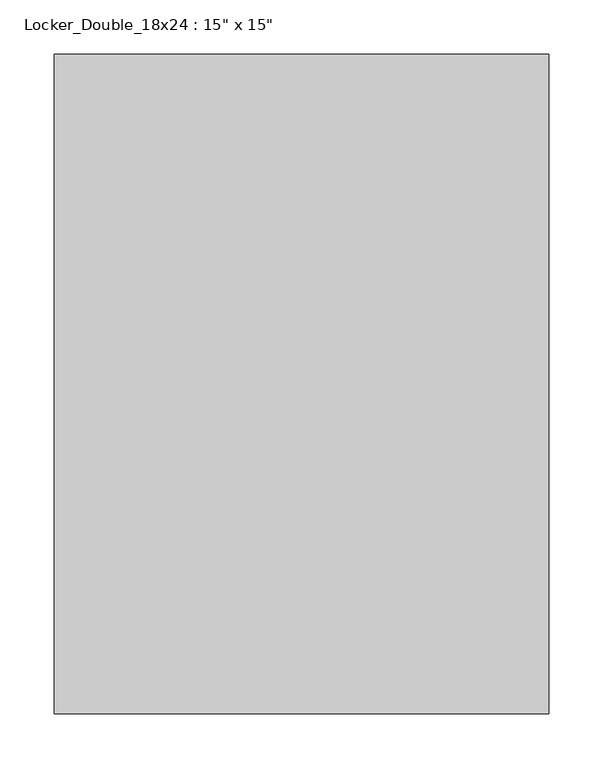
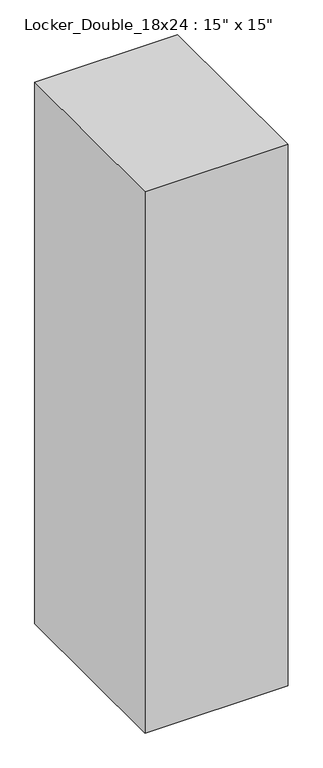
"""IFC4 building model written with IfcOpenShell, lengths in millimetres: furniture geometry."""

import ifcopenshell
import ifcopenshell.guid

model = None  # the IFC model being written
_history = None  # IfcOwnerHistory: only IFC2X3 demands one
_inside = {}  # id of a spatial element -> (the spatial element, [elements in it])
_under = {}  # id of a project, library or spatial element -> (it, [spatial elements below it])
_declared = {}  # id of a project -> (the project, [libraries it declares])
_typed = {}  # id of a type object -> (the type object, [elements of that type])
_made_of = {}  # id of a material, layer set ... -> (it, [elements and type objects made of it])


def new_model(schema):
    """Start an empty IFC model of exactly this schema.

    Asked for "IFC4X3", IfcOpenShell would pick the latest addendum, in which some entities
    have other attributes; the version numbers below select the first issue.
    IFC2X3 requires an IfcOwnerHistory on every rooted entity: one is made here for all.
    """
    global model, _history
    if schema == "IFC4X3":
        model = ifcopenshell.file(schema_version=(4, 3, 0, 0))
    else:
        model = ifcopenshell.file(schema=schema)
    _inside.clear()
    _under.clear()
    _declared.clear()
    _typed.clear()
    _made_of.clear()
    _history = None
    if model.schema == "IFC2X3":
        org = make("IfcOrganization", Name="unknown")
        user = make(
            "IfcPersonAndOrganization",
            ThePerson=make("IfcPerson", FamilyName="unknown"),
            TheOrganization=org,
        )
        app = make(
            "IfcApplication",
            ApplicationDeveloper=org,
            Version="unknown",
            ApplicationFullName="unknown",
            ApplicationIdentifier="unknown",
        )
        _history = make(
            "IfcOwnerHistory",
            OwningUser=user,
            OwningApplication=app,
            ChangeAction="ADDED",
            CreationDate=0,
        )
    return model


def make(cls, **values):
    """One entity of the class cls with the attributes given. An attribute that is None is left unset."""
    return model.create_entity(
        cls, **{name: value for name, value in values.items() if value is not None}
    )


def rooted(cls, **values):
    """An entity with a GlobalId (a new one), such as an element, a storey or a relation."""
    return make(cls, GlobalId=ifcopenshell.guid.new(), OwnerHistory=_history, **values)


def si_unit(unit_type, name, prefix=None):
    """IfcSIUnit, for example si_unit("LENGTHUNIT", "METRE", prefix="MILLI")."""
    return make("IfcSIUnit", UnitType=unit_type, Prefix=prefix, Name=name)


def assignment(units):
    """IfcUnitAssignment: the units of a project."""
    return None if units is None else make("IfcUnitAssignment", Units=units)


def point(xyz):
    """IfcCartesianPoint."""
    return None if xyz is None else make("IfcCartesianPoint", Coordinates=xyz)


def direction(xyz):
    """IfcDirection."""
    return None if xyz is None else make("IfcDirection", DirectionRatios=xyz)


def frame(location, z_axis=None, x_axis=None):
    """IfcAxis2Placement3D, a coordinate frame: its origin and axes. An axis left out is left unset."""
    return make(
        "IfcAxis2Placement3D",
        Location=point(location),
        Axis=direction(z_axis),
        RefDirection=direction(x_axis),
    )


def origin():
    """The frame at (0, 0, 0) with its axes left unset."""
    return frame((0.0, 0.0, 0.0))


def place(relative_to, where):
    """IfcLocalPlacement: puts the frame where relative to a parent placement (None: the world)."""
    return make(
        "IfcLocalPlacement", PlacementRelTo=relative_to, RelativePlacement=where
    )


def context(
    kind, dimensions, precision=None, world=None, true_north=None, identifier=None
):
    """IfcGeometricRepresentationContext, for example the 3D "Model" context."""
    return make(
        "IfcGeometricRepresentationContext",
        ContextIdentifier=identifier,
        ContextType=kind,
        CoordinateSpaceDimension=dimensions,
        Precision=precision,
        WorldCoordinateSystem=world,
        TrueNorth=true_north,
    )


def project(units=None, contexts=None):
    """IfcProject with its units and contexts."""
    return rooted(
        "IfcProject",
        Name="project",
        RepresentationContexts=contexts,
        UnitsInContext=assignment(units),
    )


def spatial(cls, under=None, at=None, **own):
    """A site, building, storey or space (cls), placed at a placement, below another one or the project."""
    s = rooted(cls, ObjectPlacement=at, **own)
    if under is not None:
        _under.setdefault(under.id(), (under, []))[1].append(s)
    return s


def faces_of(points, faces, orient=None, outer=None):
    """IfcFace entities. A face is a list of loops; a loop is a list of indices into points, from 0.

    orient and outer hold one flag for each loop. By default every Orientation is true, the
    first loop of a face is its IfcFaceOuterBound and the others are IfcFaceBound.
    """
    made = []
    for i, loops in enumerate(faces):
        bounds = []
        for j, loop in enumerate(loops):
            is_outer = j == 0 if outer is None else outer[i][j]
            bounds.append(
                make(
                    "IfcFaceOuterBound" if is_outer else "IfcFaceBound",
                    Bound=make("IfcPolyLoop", Polygon=[points[k] for k in loop]),
                    Orientation=True if orient is None else orient[i][j],
                )
            )
        made.append(make("IfcFace", Bounds=bounds))
    return made


def faceted_brep(points, faces, orient=None, outer=None, voids=None):
    """IfcFacetedBrep: a solid bounded by flat faces; with voids (closed shells), ...WithVoids."""
    shared = [point(p) for p in points]
    hull = make("IfcClosedShell", CfsFaces=faces_of(shared, faces, orient, outer))
    if voids is None:
        return make("IfcFacetedBrep", Outer=hull)
    return make(
        "IfcFacetedBrepWithVoids",
        Outer=hull,
        Voids=[
            make(cls, CfsFaces=faces_of(shared, fs, o, b)) for cls, fs, o, b in voids
        ],
    )


def shape(context_of_items, identifier, shape_type, items):
    """IfcShapeRepresentation: the items that make up one representation, for example the "Body"."""
    return make(
        "IfcShapeRepresentation",
        ContextOfItems=context_of_items,
        RepresentationIdentifier=identifier,
        RepresentationType=shape_type,
        Items=items,
    )


def source(mapping_origin, context_of_items, identifier, shape_type, items):
    """IfcRepresentationMap: a shape defined once, which mapped items show again and again."""
    return make(
        "IfcRepresentationMap",
        MappingOrigin=mapping_origin,
        MappedRepresentation=shape(context_of_items, identifier, shape_type, items),
    )


def transform(
    local_origin,
    x_axis=None,
    y_axis=None,
    z_axis=None,
    scale=None,
    scale2=None,
    scale3=None,
    uniform=True,
):
    """IfcCartesianTransformationOperator3D, or its non-uniform kind. x_axis, y_axis, z_axis: its Axis1, 2, 3."""
    if uniform:
        return make(
            "IfcCartesianTransformationOperator3D",
            Axis1=direction(x_axis),
            Axis2=direction(y_axis),
            LocalOrigin=point(local_origin),
            Scale=scale,
            Axis3=direction(z_axis),
        )
    return make(
        "IfcCartesianTransformationOperator3DnonUniform",
        Axis1=direction(x_axis),
        Axis2=direction(y_axis),
        LocalOrigin=point(local_origin),
        Scale=scale,
        Axis3=direction(z_axis),
        Scale2=scale2,
        Scale3=scale3,
    )


def mapped(mapping_source, mapping_target):
    """IfcMappedItem: shows the shape of a source again, moved by a transform."""
    return make(
        "IfcMappedItem", MappingSource=mapping_source, MappingTarget=mapping_target
    )


def made_of(thing, what):
    """Note that an element or type object is made of a material, layer set ...; save() writes the relation."""
    if what is not None:
        _made_of.setdefault(what.id(), (what, []))[1].append(thing)
    return thing


def element(
    cls,
    number,
    at=None,
    inside=None,
    cuts=None,
    type_object=None,
    material=None,
    context=None,
    identifier="Body",
    shape_type=None,
    held_by="IfcProductDefinitionShape",
    body=None,
    shapes=None,
    **own,
):
    """One element of the class cls, such as IfcWall. Its Tag is "e" and its number.

    at: its placement. inside: the storey or other place that contains it. cuts: it is an
    opening in that element (IfcRelVoidsElement). A single representation is given by context,
    identifier, shape_type and body (its items); several are given by shapes. held_by: the class
    of the entity that holds the representations. save() writes the other relations.
    """
    e = rooted(cls, Tag="e%d" % number, ObjectPlacement=at, **own)
    if body is not None:
        shapes = [shape(context, identifier, shape_type, body)]
    if shapes is not None:
        e.Representation = make(held_by, Representations=shapes)
    if inside is not None:
        _inside.setdefault(inside.id(), (inside, []))[1].append(e)
    if cuts is not None:
        rooted(
            "IfcRelVoidsElement", RelatingBuildingElement=cuts, RelatedOpeningElement=e
        )
    if type_object is not None:
        _typed.setdefault(type_object.id(), (type_object, []))[1].append(e)
    return made_of(e, material)


def aggregate(whole, parts):
    """IfcRelAggregates: a whole, such as a stair, and the parts it consists of."""
    return rooted("IfcRelAggregates", RelatingObject=whole, RelatedObjects=parts)


def save(model, path):
    """Write the relations noted so far, then the file.

    IfcRelAggregates (storeys below a building ...), IfcRelContainedInSpatialStructure (elements
    in a storey), IfcRelDefinesByType, IfcRelAssociatesMaterial and IfcRelDeclares: one each for
    every whole, place, type object, material and project.
    """
    for whole, parts in _under.values():
        aggregate(whole, parts)
    for where, things in _inside.values():
        rooted(
            "IfcRelContainedInSpatialStructure",
            RelatedElements=things,
            RelatingStructure=where,
        )
    for kind, things in _typed.values():
        rooted("IfcRelDefinesByType", RelatedObjects=things, RelatingType=kind)
    for what, things in _made_of.values():
        rooted("IfcRelAssociatesMaterial", RelatedObjects=things, RelatingMaterial=what)
    for by, libraries in _declared.values():
        rooted("IfcRelDeclares", RelatingContext=by, RelatedDefinitions=libraries)
    model.write(path)


def furniture_2ef56f47(model_context):
    return source(origin(), model_context, "Body", "Brep", [
        faceted_brep([(228.6, 304.8, 1828.8), (-228.6, 304.8, 1828.8), (-228.6, -304.8, 1828.8), (228.6, -304.8, 1828.8), (228.6, 304.8, 0.0), (228.6, -304.8, 0.0), (-228.6, -304.8, 0.0), (-228.6, 304.8, 0.0), (203.2, 304.8, 889.0), (-203.2, 304.8, 889.0), (-203.2, 304.8, 76.2), (203.2, 304.8, 76.2), (-203.2, 304.8, 1752.6), (-203.2, 304.8, 939.8), (203.2, 304.8, 939.8), (203.2, 304.8, 1752.6), (203.2, 298.45, 76.2), (-203.2, 298.45, 76.2), (-203.2, 298.45, 889.0), (203.2, 298.45, 889.0), (203.2, 298.45, 1752.6), (203.2, 298.45, 939.8), (-203.2, 298.45, 939.8), (-203.2, 298.45, 1752.6)], [[[0, 1, 2, 3]], [[4, 5, 6, 7]], [[3, 5, 4, 0]], [[2, 6, 5, 3]], [[1, 7, 6, 2]], [[0, 4, 7, 1], [8, 9, 10, 11], [12, 13, 14, 15]], [[16, 17, 18, 19]], [[19, 8, 11, 16]], [[18, 9, 8, 19]], [[17, 10, 9, 18]], [[16, 11, 10, 17]], [[20, 21, 22, 23]], [[23, 12, 15, 20]], [[22, 13, 12, 23]], [[21, 14, 13, 22]], [[20, 15, 14, 21]]]),
    ])


if __name__ == "__main__":
    model = new_model("IFC4")
    model_context = context("Model", 3, world=origin())
    ifc_project = project(units=[si_unit("LENGTHUNIT", "METRE", prefix="MILLI")], contexts=[model_context])
    site = spatial("IfcSite", under=ifc_project)
    building = spatial("IfcBuilding", under=site)
    placement = place(None, origin())
    furniture_shape = furniture_2ef56f47(model_context)
    element("IfcFurniture", 1, ObjectType="Locker_Double_18x24 : 15\" x 15\"", at=placement, inside=building, context=model_context, shape_type="MappedRepresentation", body=[
        mapped(furniture_shape, transform((0.0, 0.0, 0.0), x_axis=(1.0, 0.0, 0.0), y_axis=(0.0, 1.0, 0.0), z_axis=(0.0, 0.0, 1.0))),
    ])
    save(model, "model.ifc")
